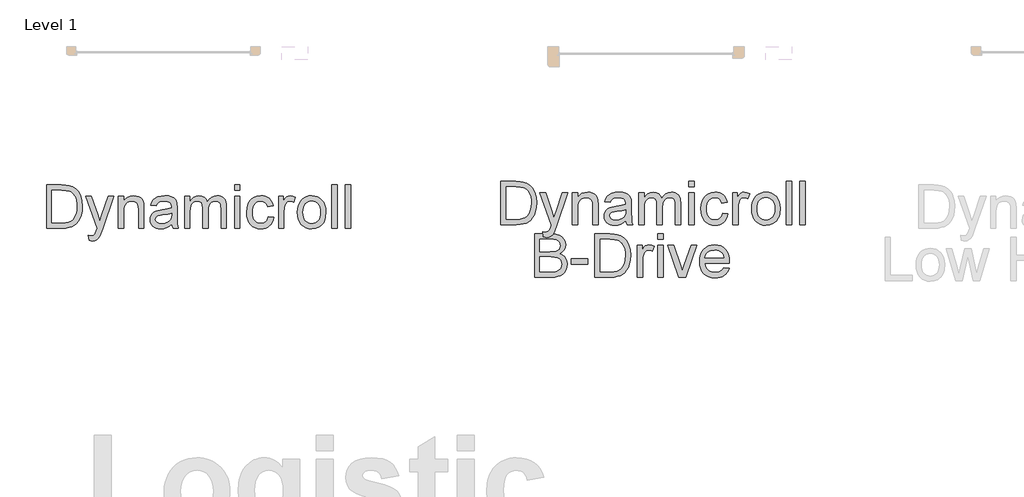
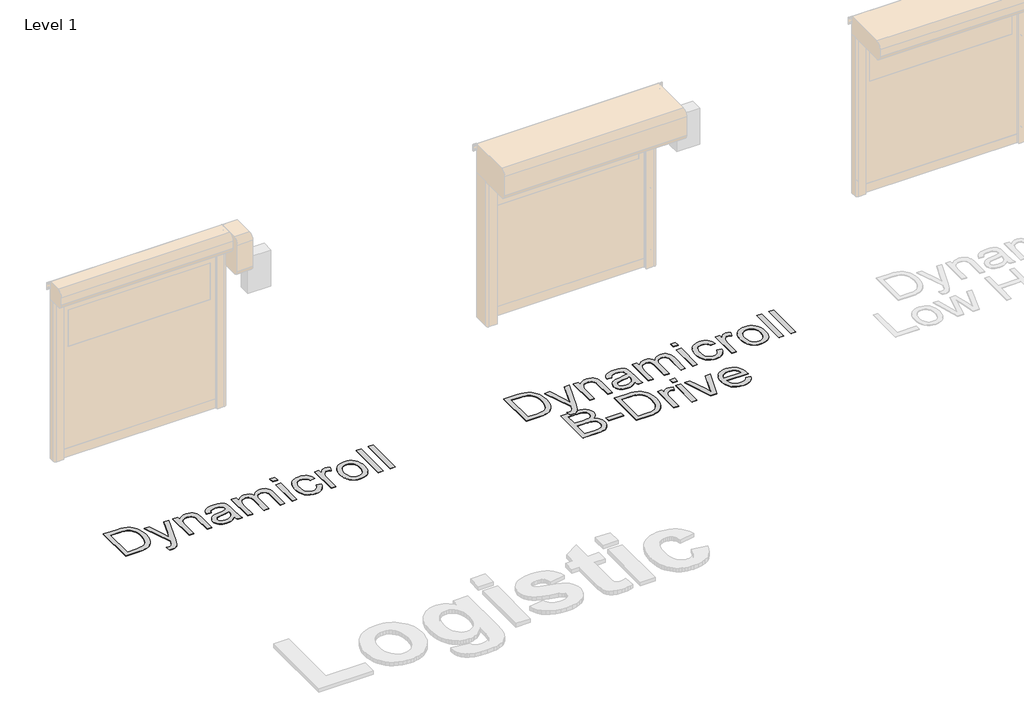
# One storey, part 8 of 18: 2 proxies.
"""IFC4 building model written with IfcOpenShell, lengths in millimetres."""

from ifc_helpers import new_model, si_unit, origin, origin_with_axes, place, context, project, spatial, polyline, outline, extrude, element, save

model = new_model("IFC4")

# Units and contexts
model_context = context("Model", 3, world=origin())
ifc_project = project(units=[si_unit("LENGTHUNIT", "METRE", prefix="MILLI")], contexts=[model_context])

# Site, building, storey
site = spatial("IfcSite", under=ifc_project)
building = spatial("IfcBuilding", under=site)
storey = spatial("IfcBuildingStorey", under=building, Name="Level 1", Elevation=0.0)

# Proxies
placement = place(None, origin())
element("IfcBuildingElementProxy", 1, Name="500mm", ObjectType="500mm", at=placement, inside=storey, context=model_context, shape_type="SweptSolid", body=[
    extrude(outline(polyline([(5402.5904997, 30395.6464997), (5402.5904997, 30897.9280504), (5575.8629195, 30897.9280504), (5627.6423103, 30896.1192973), (5665.5034989, 30890.6930378), (5705.5413228, 30876.7441789), (5739.3251526, 30854.7632296), (5757.9415144, 30836.7983256), (5774.0593444, 30816.5035022), (5787.6786424, 30793.8787594), (5798.7994085, 30768.9240974), (5813.6066588, 30712.9447205), (5818.5424089, 30649.4850763), (5815.2008142, 30595.5750356), (5805.1760298, 30548.1335867), (5789.908927, 30507.7432093), (5770.8403769, 30474.9863833), (5748.8900845, 30449.1273447), (5724.9777548, 30429.4303296), (5697.5245609, 30414.8223487), (5664.951676, 30404.2304129), (5627.1977862, 30397.792478), (5584.201578, 30395.6464997), (5402.5904997, 30395.6464997)]), holes=[polyline([(5465.3756936, 30458.4316935), (5576.4760561, 30458.4316935), (5622.4306487, 30460.7002991), (5657.2874677, 30467.5061161), (5683.5910304, 30478.4506054), (5703.8858538, 30493.1352284), (5725.6981904, 30520.3125108), (5742.0842676, 30555.4912266), (5752.3389782, 30598.8246599), (5755.7572151, 30650.466095), (5754.0825856, 30686.9170694), (5749.0586971, 30718.8921461), (5740.6855496, 30746.3913252), (5728.9631431, 30769.4146068), (5714.8418394, 30788.4831569), (5699.2720004, 30804.1181416), (5682.253626, 30816.3195612), (5663.7867163, 30825.0874154), (5627.6729671, 30832.6289963), (5574.7592735, 30835.1428566), (5465.3756936, 30835.1428566), (5465.3756936, 30458.4316935)])]), origin_with_axes(), (0.0, 0.0, 1.0), 5.0),
    extrude(outline(polyline([(5897.0239012, 30254.3798135), (5889.175752, 30314.8350881), (5921.0588583, 30309.3168581), (5937.8281459, 30311.0489692), (5950.8572999, 30316.2453024), (5961.0047116, 30324.5379757), (5969.1287723, 30335.5591071), (5986.2965987, 30381.7896112), (5991.201692, 30396.9954003), (5857.7831551, 30764.5095135), (5924.0019142, 30764.5095135), (5994.7578846, 30559.7218695), (6019.4059783, 30477.8068119), (6044.054072, 30550.1569376), (6116.7720797, 30764.5095135), (6182.5003295, 30764.5095135), (6054.1095132, 30386.8173318), (6020.754879, 30304.9022742), (6003.679023, 30278.7519957), (5984.3345614, 30260.6338074), (5961.8631029, 30250.0572001), (5935.4062561, 30246.5316643), (5917.2267541, 30248.4937016), (5897.0239012, 30254.3798135)])), origin_with_axes(), (0.0, 0.0, 1.0), 5.0),
    extrude(outline(polyline([(6234.4943182, 30395.6464997), (6234.4943182, 30764.5095135), (6297.279512, 30764.5095135), (6297.279512, 30713.0060342), (6319.0918486, 30738.9723717), (6345.2881124, 30757.5197556), (6375.8683032, 30768.6481859), (6410.8324212, 30772.3576627), (6441.780494, 30769.3686215), (6470.1227361, 30760.4014979), (6493.7591543, 30746.5752662), (6510.5897555, 30729.008901), (6522.0094258, 30707.7483873), (6529.413051, 30682.8397106), (6532.7239889, 30622.1391814), (6532.7239889, 30395.6464997), (6469.9387951, 30395.6464997), (6469.9387951, 30613.6778955), (6468.1300419, 30646.1434816), (6462.7037825, 30669.2280767), (6452.6943265, 30685.7674381), (6437.1359838, 30698.5973227), (6417.193714, 30706.8286823), (6394.0324767, 30709.5724689), (6374.9677588, 30708.031963), (6357.2596056, 30703.4104455), (6340.9080174, 30695.7079162), (6325.912994, 30684.9243752), (6313.3858456, 30669.8335492), (6304.4378825, 30649.2091648), (6299.0691046, 30623.0512221), (6297.279512, 30591.3597211), (6297.279512, 30395.6464997), (6234.4943182, 30395.6464997)])), origin_with_axes(), (0.0, 0.0, 1.0), 5.0),
    extrude(outline(polyline([(6854.4981074, 30442.7353951), (6824.5003963, 30417.0143122), (6793.6136372, 30400.1837109), (6761.1327227, 30390.8946906), (6726.3525457, 30387.7983504), (6698.3973462, 30389.660753), (6673.8833761, 30395.2479608), (6652.8106356, 30404.5599738), (6635.1791246, 30417.596792), (6621.2570903, 30433.530681), (6611.3127801, 30451.5339061), (6605.346194, 30471.6064675), (6603.357332, 30493.748365), (6606.3617016, 30519.7760162), (6615.3748105, 30543.4124344), (6629.2776842, 30563.6459441), (6646.9513484, 30579.4648699), (6667.7213527, 30591.4210348), (6690.9132468, 30600.0662617), (6745.2371548, 30609.5085662), (6809.432563, 30619.4413801), (6854.1302254, 30631.0909766), (6854.4981074, 30645.0704924), (6850.1754939, 30673.0908377), (6837.2076536, 30691.4236238), (6824.1325143, 30699.3637435), (6808.2062896, 30705.0352576), (6767.8005838, 30709.5724689), (6730.3992477, 30706.5527708), (6704.279626, 30697.4936767), (6686.4680061, 30680.7397175), (6673.9906751, 30654.6354243), (6611.2054812, 30662.4835735), (6622.1039853, 30696.8192264), (6638.3674352, 30723.7972394), (6661.5133441, 30744.4292879), (6693.0592251, 30759.7270476), (6731.6408494, 30769.2000089), (6775.8939877, 30772.3576627), (6818.3383729, 30769.5678909), (6851.9842471, 30761.1985755), (6877.3527763, 30748.6139456), (6894.9651268, 30733.1782302), (6906.6453802, 30714.0943517), (6914.2176179, 30690.5652325), (6917.2833012, 30635.6281879), (6917.2833012, 30557.5145775), (6920.4716118, 30448.437566), (6925.1927641, 30421.4748814), (6932.9795997, 30395.6464997), (6870.1944058, 30395.6464997), (6860.1389646, 30417.4741647), (6854.4981074, 30442.7353951)]), holes=[polyline([(6854.4981074, 30568.3057827), (6812.3143052, 30557.8518027), (6753.2079314, 30549.0532917), (6699.1905917, 30538.8752231), (6685.1344338, 30531.916122), (6674.7264391, 30522.3205333), (6668.2885041, 30510.824221), (6666.1425258, 30498.162949), (6670.8176929, 30479.4929377), (6684.8431939, 30464.1951781), (6707.9124607, 30453.9864527), (6739.7189249, 30450.5835443), (6773.4414411, 30454.3390063), (6803.2398827, 30465.6053924), (6827.397467, 30482.2060675), (6844.1974115, 30501.9643963), (6851.6470219, 30522.3205333), (6854.1302254, 30550.5248196), (6854.4981074, 30568.3057827)])]), origin_with_axes(), (0.0, 0.0, 1.0), 5.0),
    extrude(outline(polyline([(7003.6129427, 30395.6464997), (7003.6129427, 30764.5095135), (7066.3981366, 30764.5095135), (7066.3981366, 30703.8089843), (7085.2827457, 30731.6913738), (7109.5629574, 30753.5343673), (7138.4110371, 30767.6518389), (7170.9992505, 30772.3576627), (7205.9173833, 30767.5598684), (7233.9070717, 30753.1664853), (7254.8150318, 30730.1278754), (7268.4879793, 30699.3944004), (7291.373305, 30731.3158276), (7317.4775983, 30754.1168471), (7346.800859, 30767.7974588), (7379.3430871, 30772.3576627), (7404.477858, 30770.4607712), (7426.5392814, 30764.7700966), (7445.5273573, 30755.2856389), (7461.4420857, 30742.0073981), (7474.0228836, 30724.7820901), (7483.0091677, 30703.4564307), (7488.4009382, 30678.0304199), (7490.198195, 30648.5040577), (7490.198195, 30395.6464997), (7427.4130012, 30395.6464997), (7427.4130012, 30621.5260447), (7425.9568016, 30652.8419995), (7421.5882029, 30673.949229), (7413.4028285, 30688.4039257), (7400.4963019, 30699.7622823), (7383.8956268, 30707.1199223), (7364.6278073, 30709.5724689), (7346.8353479, 30708.0013062), (7330.6140512, 30703.2878181), (7315.9639172, 30695.4320047), (7302.8849458, 30684.4338659), (7292.1282296, 30669.9715049), (7284.4448608, 30651.7230251), (7279.8348396, 30629.6884265), (7278.2981658, 30603.8677089), (7278.2981658, 30395.6464997), (7215.512972, 30395.6464997), (7215.512972, 30628.5158026), (7211.8801373, 30664.0164152), (7200.9816332, 30689.3389592), (7192.5548362, 30698.1911197), (7181.8057842, 30704.5140915), (7153.3409148, 30709.5724689), (7129.1526736, 30706.2002173), (7106.8651561, 30696.0834624), (7088.4710563, 30679.4674589), (7075.9630685, 30656.5974616), (7068.7893696, 30624.8676395), (7066.3981366, 30581.6721619), (7066.3981366, 30395.6464997), (7003.6129427, 30395.6464997)])), origin_with_axes(), (0.0, 0.0, 1.0), 5.0),
    extrude(outline(polyline([(7584.3759858, 30835.1428566), (7584.3759858, 30897.9280504), (7647.1611796, 30897.9280504), (7647.1611796, 30835.1428566), (7584.3759858, 30835.1428566)])), origin_with_axes(), (0.0, 0.0, 1.0), 5.0),
    extrude(outline(polyline([(7584.3759858, 30395.6464997), (7584.3759858, 30764.5095135), (7647.1611796, 30764.5095135), (7647.1611796, 30395.6464997), (7584.3759858, 30395.6464997)])), origin_with_axes(), (0.0, 0.0, 1.0), 5.0),
    extrude(outline(polyline([(7976.7834473, 30529.0650366), (8039.5686412, 30521.2168874), (8032.7398316, 30491.5908904), (8022.0635896, 30465.3754662), (8007.539915, 30442.5706146), (7989.1688078, 30423.1763356), (7967.7243532, 30407.6984671), (7943.9806361, 30396.6428467), (7917.9376565, 30390.0094745), (7889.5954145, 30387.7983504), (7854.3822097, 30390.8831943), (7822.8095039, 30400.1377257), (7794.877297, 30415.5619448), (7770.585589, 30437.1558515), (7750.9230628, 30464.5132427), (7736.8784012, 30497.2279156), (7728.4516043, 30535.29987), (7725.6426719, 30578.7291059), (7730.4404663, 30634.601184), (7744.8338494, 30683.0236516), (7755.6863682, 30703.9737648), (7769.0527474, 30722.126442), (7784.9329868, 30737.4816832), (7803.3270866, 30750.0394884), (7844.3306006, 30766.7781191), (7888.7370231, 30772.3576627), (7916.592588, 30770.4416107), (7941.7886725, 30764.6934545), (7964.3252768, 30755.1131942), (7984.2024009, 30741.7008298), (8001.0828195, 30724.7629296), (8014.6293076, 30704.606062), (8024.841865, 30681.2302268), (8031.7204919, 30654.6354243), (7968.9352981, 30646.787275), (7957.5462846, 30674.1791553), (7939.8113068, 30693.8148568), (7916.7113832, 30705.6330659), (7889.2275325, 30709.5724689), (7867.8942088, 30707.6334242), (7848.6532141, 30701.8162902), (7831.5045482, 30692.1210667), (7816.4482111, 30678.547754), (7804.18931, 30660.7821193), (7795.4329521, 30638.5099302), (7790.1791374, 30611.7311866), (7788.4278658, 30580.4458886), (7790.1408163, 30548.6892418), (7795.2796679, 30521.6000978), (7803.8444206, 30499.1784566), (7815.8350744, 30481.4243182), (7830.5925074, 30467.9314796), (7847.4575976, 30458.2937378), (7866.4303451, 30452.5110927), (7887.5107498, 30450.5835443), (7920.0223211, 30455.3966671), (7946.6784374, 30469.8360354), (7957.4581463, 30480.7575321), (7966.0688842, 30494.2695312), (7976.7834473, 30529.0650366)])), origin_with_axes(), (0.0, 0.0, 1.0), 5.0),
    extrude(outline(polyline([(8094.5056858, 30395.6464997), (8094.5056858, 30764.5095135), (8149.4427304, 30764.5095135), (8149.4427304, 30709.9403509), (8169.7375538, 30741.5782025), (8188.4382219, 30760.2175569), (8207.2002036, 30769.3226363), (8227.678968, 30772.3576627), (8258.9489376, 30767.5138831), (8290.7094165, 30752.9825443), (8269.7401428, 30696.6965991), (8247.6672231, 30706.3535014), (8225.5943034, 30709.5724689), (8206.84765, 30706.4761288), (8190.0936909, 30697.1871084), (8176.5586991, 30682.4105149), (8167.4689481, 30662.8514555), (8159.8353967, 30627.7800386), (8157.2908796, 30589.5203111), (8157.2908796, 30395.6464997), (8094.5056858, 30395.6464997)])), origin_with_axes(), (0.0, 0.0, 1.0), 5.0),
    extrude(outline(polyline([(8314.2538642, 30580.0780066), (8317.6491085, 30627.8490165), (8327.8348412, 30669.0134789), (8344.8110624, 30703.5713938), (8368.5777722, 30731.5227613), (8392.5054303, 30749.3880307), (8418.9162919, 30762.1489374), (8447.8103569, 30769.8054814), (8479.1876254, 30772.3576627), (8513.8260145, 30769.2498263), (8545.1458014, 30759.926317), (8573.1469862, 30744.3871348), (8597.8295688, 30722.6322797), (8617.9749402, 30695.3975158), (8632.3644911, 30663.4186069), (8640.9982217, 30626.6955532), (8643.8761319, 30585.2283545), (8638.7870976, 30521.7993672), (8632.4258048, 30495.7640518), (8623.5199948, 30473.5148553), (8612.1807988, 30454.2968532), (8598.5193476, 30437.3551209), (8582.5356413, 30422.6896584), (8564.2296799, 30410.3004658), (8523.5020774, 30393.4238793), (8479.1876254, 30387.7983504), (8444.0433985, 30390.8946906), (8412.4323717, 30400.1837109), (8384.3545448, 30415.6654116), (8359.809918, 30437.3397925), (8339.8791444, 30464.8389716), (8325.6428777, 30497.795067), (8317.1011176, 30536.2080787), (8314.2538642, 30580.0780066)]), holes=[polyline([(8377.0390581, 30580.2006339), (8378.8554754, 30549.7469025), (8384.3047275, 30523.3781941), (8393.3868142, 30501.0945086), (8406.1017357, 30482.8958462), (8421.5681079, 30468.7592141), (8438.9045469, 30458.6616198), (8458.1110528, 30452.6030632), (8479.1876254, 30450.5835443), (8500.1568991, 30452.6145595), (8519.2867629, 30458.707605), (8536.5772166, 30468.8626809), (8552.0282604, 30483.0797872), (8564.7431819, 30501.4585585), (8573.8252687, 30524.0986297), (8579.2745207, 30551.0000005), (8581.0909381, 30582.1626712), (8579.2630244, 30611.6507124), (8573.7792834, 30637.3296421), (8564.6397151, 30659.1994603), (8551.8443194, 30677.260167), (8536.3357941, 30691.3967991), (8519.0568366, 30701.4943934), (8500.0074471, 30707.55295), (8479.1876254, 30709.5724689), (8458.1110528, 30707.5606142), (8438.9045469, 30701.5250502), (8421.5681079, 30691.4657769), (8406.1017357, 30677.3827943), (8393.3868142, 30659.2377813), (8384.3047275, 30636.9924169), (8378.8554754, 30610.6467011), (8377.0390581, 30580.2006339)])]), origin_with_axes(), (0.0, 0.0, 1.0), 5.0),
    extrude(outline(polyline([(8714.509475, 30395.6464997), (8714.509475, 30897.9280504), (8777.2946688, 30897.9280504), (8777.2946688, 30395.6464997), (8714.509475, 30395.6464997)])), origin_with_axes(), (0.0, 0.0, 1.0), 5.0),
    extrude(outline(polyline([(8871.4724596, 30395.6464997), (8871.4724596, 30897.9280504), (8934.2576534, 30897.9280504), (8934.2576534, 30395.6464997), (8871.4724596, 30395.6464997)])), origin_with_axes(), (0.0, 0.0, 1.0), 5.0),
    extrude(outline(polyline([(5794.9979613, 29785.7724104), (5794.9979613, 30288.0539612), (5986.6644807, 30288.0539612), (6039.378905, 30284.3598128), (6080.5357032, 30273.2773677), (6112.0815843, 30254.5307144), (6135.9632571, 30227.8439413), (6151.0004337, 30196.4513444), (6156.0128259, 30163.5872195), (6151.7975113, 30133.3442538), (6139.1515677, 30104.9100413), (6117.9830246, 30080.0320213), (6088.1999114, 30060.4576335), (6107.1496663, 30052.379558), (6123.777166, 30041.8795928), (6138.0824107, 30028.9577377), (6150.0654003, 30013.6139928), (6166.2981933, 29977.5309004), (6171.7091243, 29935.5003825), (6168.0149759, 29900.4749509), (6156.9325308, 29867.9940364), (6140.3931695, 29840.3722299), (6120.3282723, 29819.9241223), (6095.7568207, 29805.116872), (6065.697796, 29794.4176373), (6029.1701796, 29787.9337172), (5985.1929528, 29785.7724104), (5794.9979613, 29785.7724104)]), holes=[polyline([(5857.7831551, 30084.0020812), (5972.4397103, 30084.0020812), (6012.5388477, 30085.3509818), (6039.3942334, 30089.3976838), (6062.8313822, 30098.7020326), (6079.6773119, 30112.6355632), (6089.840052, 30130.9836777), (6093.227632, 30153.5317783), (6090.0699782, 30175.420757), (6080.5970168, 30194.4893071), (6065.2379435, 30209.3731995), (6044.421954, 30218.7082051), (6012.4775341, 30223.6286268), (5963.7331697, 30225.2687673), (5857.7831551, 30225.2687673), (5857.7831551, 30084.0020812)]), polyline([(5857.7831551, 29848.5576043), (5986.5418534, 29848.5576043), (6033.1402395, 29851.0101509), (6054.7686351, 29856.4517388), (6072.5649266, 29864.6830984), (6087.0349518, 29876.4706507), (6098.6845483, 29892.5808164), (6106.3640849, 29912.29316), (6108.9239305, 29934.8872458), (6105.9195608, 29961.1294948), (6096.906452, 29983.6929238), (6081.1641682, 30001.3359312), (6057.9722741, 30012.8169151), (6025.1234777, 30019.1168943), (5980.4104868, 30021.2168874), (5857.7831551, 30021.2168874), (5857.7831551, 29848.5576043)])]), origin_with_axes(), (0.0, 0.0, 1.0), 5.0),
    extrude(outline(polyline([(6218.7980197, 29934.8872458), (6218.7980197, 29997.6724397), (6415.0017505, 29997.6724397), (6415.0017505, 29934.8872458), (6218.7980197, 29934.8872458)])), origin_with_axes(), (0.0, 0.0, 1.0), 5.0),
    extrude(outline(polyline([(6493.4832428, 29785.7724104), (6493.4832428, 30288.0539612), (6666.7556625, 30288.0539612), (6718.5350533, 30286.245208), (6756.396242, 30280.8189486), (6796.4340658, 30266.8700896), (6830.2178957, 30244.8891404), (6848.8342575, 30226.9242363), (6864.9520874, 30206.6294129), (6878.5713854, 30184.0046702), (6889.6921516, 30159.0500082), (6904.4994019, 30103.0706313), (6909.435152, 30039.6109871), (6906.0935572, 29985.7009464), (6896.0687728, 29938.2594974), (6880.80167, 29897.8691201), (6861.7331199, 29865.1122941), (6839.7828276, 29839.2532555), (6815.8704979, 29819.5562403), (6788.417304, 29804.9482594), (6755.844419, 29794.3563237), (6718.0905292, 29787.9183887), (6675.094321, 29785.7724104), (6493.4832428, 29785.7724104)]), holes=[polyline([(6556.2684366, 29848.5576043), (6667.3687991, 29848.5576043), (6713.3233917, 29850.8262099), (6748.1802108, 29857.6320268), (6774.4837734, 29868.5765162), (6794.7785968, 29883.2611392), (6816.5909334, 29910.4384216), (6832.9770106, 29945.6171373), (6843.2317213, 29988.9505707), (6846.6499581, 30040.5920058), (6844.9753286, 30077.0429801), (6839.9514401, 30109.0180569), (6831.5782926, 30136.517236), (6819.8558861, 30159.5405175), (6805.7345825, 30178.6090676), (6790.1647435, 30194.2440524), (6773.1463691, 30206.4454719), (6754.6794593, 30215.2133261), (6718.5657101, 30222.754907), (6665.6520165, 30225.2687673), (6556.2684366, 30225.2687673), (6556.2684366, 29848.5576043)])]), origin_with_axes(), (0.0, 0.0, 1.0), 5.0),
    extrude(outline(polyline([(6987.9166443, 29785.7724104), (6987.9166443, 30154.6354243), (7042.8536889, 30154.6354243), (7042.8536889, 30100.0662617), (7063.1485123, 30131.7041132), (7081.8491804, 30150.3434677), (7100.6111621, 30159.448547), (7121.0899265, 30162.4835735), (7152.3598961, 30157.6397939), (7184.120375, 30143.1084551), (7163.1511013, 30086.8225098), (7141.0781816, 30096.4794122), (7119.0052619, 30099.6983797), (7100.2586086, 30096.6020395), (7083.5046494, 30087.3130192), (7069.9696576, 30072.5364257), (7060.8799067, 30052.9773663), (7053.2463553, 30017.9059494), (7050.7018381, 29979.6462219), (7050.7018381, 29785.7724104), (6987.9166443, 29785.7724104)])), origin_with_axes(), (0.0, 0.0, 1.0), 5.0),
    extrude(outline(polyline([(7223.3611212, 30225.2687673), (7223.3611212, 30288.0539612), (7286.146315, 30288.0539612), (7286.146315, 30225.2687673), (7223.3611212, 30225.2687673)])), origin_with_axes(), (0.0, 0.0, 1.0), 5.0),
    extrude(outline(polyline([(7223.3611212, 29785.7724104), (7223.3611212, 30154.6354243), (7286.146315, 30154.6354243), (7286.146315, 29785.7724104), (7223.3611212, 29785.7724104)])), origin_with_axes(), (0.0, 0.0, 1.0), 5.0),
    extrude(outline(polyline([(7470.8230766, 29785.7724104), (7341.0833596, 30154.6354243), (7407.5473734, 30154.6354243), (7486.1514931, 29933.6609725), (7509.8185681, 29859.3488095), (7532.9951338, 29929.4916432), (7612.0897628, 30154.6354243), (7678.5537766, 30154.6354243), (7550.4082149, 29785.7724104), (7470.8230766, 29785.7724104)])), origin_with_axes(), (0.0, 0.0, 1.0), 5.0),
    extrude(outline(polyline([(7991.7439818, 29895.6464997), (8053.3029023, 29887.7983504), (8043.8644299, 29863.1425926), (8031.1226837, 29841.4145622), (8015.0776637, 29822.6142594), (7995.7293701, 29806.7416842), (7973.277072, 29794.1340616), (7947.9200391, 29785.128617), (7919.6582712, 29779.7253501), (7888.4917685, 29777.9242612), (7849.534598, 29781.0320977), (7814.8233989, 29790.355607), (7784.3581712, 29805.8947892), (7758.1389148, 29827.6496442), (7737.054678, 29855.0146997), (7721.9945088, 29887.3844832), (7712.9584073, 29924.7589946), (7709.9463735, 29967.1382341), (7712.9890641, 30010.9545125), (7722.1171362, 30049.5744578), (7737.3305895, 30082.9980699), (7758.6294242, 30111.2253488), (7784.7797027, 30133.6508221), (7814.5474874, 30149.6690173), (7847.9327785, 30159.2799345), (7884.9355759, 30162.4835735), (7920.7465888, 30159.2875987), (7953.1317007, 30149.6996742), (7982.0909115, 30133.7198), (8007.6242212, 30111.3479762), (8028.4670355, 30083.1820109), (8043.35476, 30049.8197125), (8052.2873947, 30011.2610809), (8055.2649396, 29967.5061161), (8054.8970576, 29950.5835443), (7772.7315673, 29950.5835443), (7776.3682341, 29925.5292476), (7783.5994146, 29903.5866194), (7794.4251087, 29884.7556598), (7808.8453165, 29869.0363687), (7826.0629603, 29856.643344), (7845.2809625, 29847.7911835), (7866.4993229, 29842.4798872), (7889.7180418, 29840.7094551), (7923.1339897, 29843.9897362), (7951.2769623, 29853.8305796), (7974.1469597, 29870.8451218), (7991.7439818, 29895.6464997)]), holes=[polyline([(7772.7315673, 30013.3687381), (7992.4797458, 30013.3687381), (7983.9878031, 30046.5394314), (7967.3411428, 30070.26782), (7950.2193016, 30083.1436899), (7930.7368843, 30092.3407398), (7908.8938908, 30097.8589697), (7884.6903212, 30099.6983797), (7842.3685633, 30093.8275962), (7823.955303, 30086.4891168), (7807.3737885, 30076.2152456), (7793.4594185, 30063.4811637), (7783.0475916, 30048.7620517), (7776.1383079, 30032.0579099), (7772.7315673, 30013.3687381)])]), origin_with_axes(), (0.0, 0.0, 1.0), 5.0),
])
element("IfcBuildingElementProxy", 2, Name="500mm", ObjectType="500mm", at=placement, inside=storey, context=model_context, shape_type="SweptSolid", body=[
    extrude(outline(polyline([(132.2974666, 30354.3905971), (132.2974666, 30856.6721479), (305.5698863, 30856.6721479), (357.3492772, 30854.8633947), (395.2104658, 30849.4371353), (435.2482896, 30835.4882763), (469.0321195, 30813.5073271), (487.6484813, 30795.542423), (503.7663112, 30775.2475996), (517.3856093, 30752.6228569), (528.5063754, 30727.6681949), (543.3136257, 30671.688818), (548.2493758, 30608.2291738), (544.907781, 30554.3191331), (534.8829967, 30506.8776841), (519.6158939, 30466.4873067), (500.5473438, 30433.7304807), (478.5970514, 30407.8714422), (454.6847217, 30388.174427), (427.2315278, 30373.5664461), (394.6586428, 30362.9745103), (356.9047531, 30356.5365754), (313.9085449, 30354.3905971), (132.2974666, 30354.3905971)]), holes=[polyline([(195.0826604, 30417.175791), (306.183023, 30417.175791), (352.1376156, 30419.4443966), (386.9944346, 30426.2502135), (413.2979973, 30437.1947029), (433.5928207, 30451.8793258), (455.4051573, 30479.0566082), (471.7912345, 30514.235324), (482.0459451, 30557.5687574), (485.464182, 30609.2101924), (483.7895525, 30645.6611668), (478.765664, 30677.6362436), (470.3925165, 30705.1354227), (458.67011, 30728.1587042), (444.5488063, 30747.2272543), (428.9789673, 30762.8622391), (411.9605929, 30775.0636586), (393.4936832, 30783.8315128), (357.379934, 30791.3730937), (304.4662403, 30793.886954), (195.0826604, 30793.886954), (195.0826604, 30417.175791)])]), origin_with_axes(), (0.0, 0.0, 1.0), 5.0),
    extrude(outline(polyline([(626.7308681, 30213.123911), (618.8827189, 30273.5791855), (650.7658251, 30268.0609556), (667.5351128, 30269.7930666), (680.5642668, 30274.9893998), (690.7116785, 30283.2820731), (698.8357392, 30294.3032046), (716.0035656, 30340.5337086), (720.9086589, 30355.7394978), (587.490122, 30723.253611), (653.7088811, 30723.253611), (724.4648515, 30518.465967), (749.1129452, 30436.5509094), (773.7610389, 30508.9010351), (846.4790466, 30723.253611), (912.2072964, 30723.253611), (783.8164801, 30345.5614292), (750.4618458, 30263.6463716), (733.3859899, 30237.4960932), (714.0415283, 30219.3779049), (691.5700698, 30208.8012975), (665.113223, 30205.2757617), (646.933721, 30207.2377991), (626.7308681, 30213.123911)])), origin_with_axes(), (0.0, 0.0, 1.0), 5.0),
    extrude(outline(polyline([(964.201285, 30354.3905971), (964.201285, 30723.253611), (1026.9864789, 30723.253611), (1026.9864789, 30671.7501316), (1048.7988155, 30697.7164691), (1074.9950792, 30716.263853), (1105.5752701, 30727.3922834), (1140.5393881, 30731.1017602), (1171.4874609, 30728.112719), (1199.8297029, 30719.1455953), (1223.4661211, 30705.3193637), (1240.2967224, 30687.7529984), (1251.7163927, 30666.4924848), (1259.1200178, 30641.583808), (1262.4309558, 30580.8832788), (1262.4309558, 30354.3905971), (1199.6457619, 30354.3905971), (1199.6457619, 30572.4219929), (1197.8370088, 30604.887579), (1192.4107494, 30627.9721742), (1182.4012934, 30644.5115356), (1166.8429507, 30657.3414202), (1146.9006809, 30665.5727798), (1123.7394436, 30668.3165663), (1104.6747256, 30666.7760605), (1086.9665725, 30662.1545429), (1070.6149842, 30654.4520136), (1055.6199608, 30643.6684727), (1043.0928125, 30628.5776467), (1034.1448494, 30607.9532623), (1028.7760715, 30581.7953196), (1026.9864789, 30550.1038186), (1026.9864789, 30354.3905971), (964.201285, 30354.3905971)])), origin_with_axes(), (0.0, 0.0, 1.0), 5.0),
    extrude(outline(polyline([(1584.2050742, 30401.4794925), (1554.2073632, 30375.7584097), (1523.320604, 30358.9278084), (1490.8396895, 30349.638788), (1456.0595126, 30346.5424479), (1428.1043131, 30348.4048505), (1403.590343, 30353.9920583), (1382.5176025, 30363.3040713), (1364.8860914, 30376.3408895), (1350.9640572, 30392.2747784), (1341.019747, 30410.2780036), (1335.0531609, 30430.3505649), (1333.0642989, 30452.4924625), (1336.0686685, 30478.5201137), (1345.0817774, 30502.1565319), (1358.9846511, 30522.3900416), (1376.6583153, 30538.2089674), (1397.4283196, 30550.1651322), (1420.6202137, 30558.8103591), (1474.9441217, 30568.2526637), (1539.1395298, 30578.1854775), (1583.8371922, 30589.835074), (1584.2050742, 30603.8145899), (1579.8824608, 30631.8349352), (1566.9146205, 30650.1677212), (1553.8394812, 30658.107841), (1537.9132565, 30663.7793551), (1497.5075507, 30668.3165663), (1460.1062145, 30665.2968683), (1433.9865929, 30656.2377742), (1416.1749729, 30639.483815), (1403.6976419, 30613.3795217), (1340.9124481, 30621.227671), (1351.8109522, 30655.5633238), (1368.0744021, 30682.5413368), (1391.2203109, 30703.1733854), (1422.766192, 30718.471145), (1461.3478163, 30727.9441064), (1505.6009546, 30731.1017602), (1548.0453398, 30728.3119884), (1581.6912139, 30719.942673), (1607.0597432, 30707.3580431), (1624.6720937, 30691.9223277), (1636.3523471, 30672.8384492), (1643.9245848, 30649.3093299), (1646.9902681, 30594.3722853), (1646.9902681, 30516.258675), (1650.1785787, 30407.1816634), (1654.899731, 30380.2189789), (1662.6865665, 30354.3905971), (1599.9013727, 30354.3905971), (1589.8459315, 30376.2182622), (1584.2050742, 30401.4794925)]), holes=[polyline([(1584.2050742, 30527.0498802), (1542.0212721, 30516.5959002), (1482.9148982, 30507.7973891), (1428.8975586, 30497.6193206), (1414.8414007, 30490.6602195), (1404.4334059, 30481.0646308), (1397.995471, 30469.5683184), (1395.8494927, 30456.9070464), (1400.5246597, 30438.2370352), (1414.5501608, 30422.9392756), (1437.6194276, 30412.7305502), (1469.4258917, 30409.3276417), (1503.148408, 30413.0831038), (1532.9468496, 30424.3494899), (1557.1044339, 30440.9501649), (1573.9043784, 30460.7084937), (1581.3539888, 30481.0646308), (1583.8371922, 30509.2689171), (1584.2050742, 30527.0498802)])]), origin_with_axes(), (0.0, 0.0, 1.0), 5.0),
    extrude(outline(polyline([(1733.3199096, 30354.3905971), (1733.3199096, 30723.253611), (1796.1051035, 30723.253611), (1796.1051035, 30662.5530817), (1814.9897125, 30690.4354713), (1839.2699242, 30712.2784648), (1868.118004, 30726.3959363), (1900.7062174, 30731.1017602), (1935.6243501, 30726.3039658), (1963.6140386, 30711.9105828), (1984.5219987, 30688.8719728), (1998.1949461, 30658.1384978), (2021.0802719, 30690.0599251), (2047.1845652, 30712.8609446), (2076.5078259, 30726.5415563), (2109.050054, 30731.1017602), (2134.1848249, 30729.2048686), (2156.2462483, 30723.514194), (2175.2343242, 30714.0297363), (2191.1490526, 30700.7514956), (2203.7298504, 30683.5261876), (2212.7161346, 30662.2005282), (2218.1079051, 30636.7745174), (2219.9051619, 30607.2481551), (2219.9051619, 30354.3905971), (2157.1199681, 30354.3905971), (2157.1199681, 30580.2701422), (2155.6637685, 30611.586097), (2151.2951698, 30632.6933265), (2143.1097954, 30647.1480232), (2130.2032687, 30658.5063798), (2113.6025937, 30665.8640197), (2094.3347742, 30668.3165663), (2076.5423148, 30666.7454037), (2060.3210181, 30662.0319156), (2045.670884, 30654.1761022), (2032.5919127, 30643.1779633), (2021.8351964, 30628.7156024), (2014.1518277, 30610.4671226), (2009.5418064, 30588.4325239), (2008.0051327, 30562.6118064), (2008.0051327, 30354.3905971), (1945.2199388, 30354.3905971), (1945.2199388, 30587.2599001), (1941.5871041, 30622.7605126), (1930.6886, 30648.0830566), (1922.2618031, 30656.9352171), (1911.512751, 30663.2581889), (1883.0478817, 30668.3165663), (1858.8596405, 30664.9443147), (1836.5721229, 30654.8275599), (1818.1780232, 30638.2115564), (1805.6700353, 30615.341559), (1798.4963364, 30583.611737), (1796.1051035, 30540.4162594), (1796.1051035, 30354.3905971), (1733.3199096, 30354.3905971)])), origin_with_axes(), (0.0, 0.0, 1.0), 5.0),
    extrude(outline(polyline([(2314.0829527, 30793.886954), (2314.0829527, 30856.6721479), (2376.8681465, 30856.6721479), (2376.8681465, 30793.886954), (2314.0829527, 30793.886954)])), origin_with_axes(), (0.0, 0.0, 1.0), 5.0),
    extrude(outline(polyline([(2314.0829527, 30354.3905971), (2314.0829527, 30723.253611), (2376.8681465, 30723.253611), (2376.8681465, 30354.3905971), (2314.0829527, 30354.3905971)])), origin_with_axes(), (0.0, 0.0, 1.0), 5.0),
    extrude(outline(polyline([(2706.4904142, 30487.809134), (2769.275608, 30479.9609848), (2762.4467985, 30450.3349879), (2751.7705564, 30424.1195636), (2737.2468818, 30401.314712), (2718.8757747, 30381.9204331), (2697.4313201, 30366.4425646), (2673.687603, 30355.3869442), (2647.6446234, 30348.753572), (2619.3023813, 30346.5424479), (2584.0891766, 30349.6272917), (2552.5164708, 30358.8818231), (2524.5842639, 30374.3060422), (2500.2925559, 30395.8999489), (2480.6300297, 30423.2573402), (2466.5853681, 30455.972013), (2458.1585711, 30494.0439674), (2455.3496388, 30537.4732034), (2460.1474332, 30593.3452814), (2474.5408162, 30641.767749), (2485.3933351, 30662.7178622), (2498.7597142, 30680.8705394), (2514.6399537, 30696.2257806), (2533.0340535, 30708.7835858), (2574.0375675, 30725.5222166), (2618.44399, 30731.1017602), (2646.2995548, 30729.1857081), (2671.4956394, 30723.437552), (2694.0322437, 30713.8572917), (2713.9093678, 30700.4449273), (2730.7897864, 30683.5070271), (2744.3362744, 30663.3501594), (2754.5488319, 30639.9743243), (2761.4274588, 30613.3795217), (2698.642265, 30605.5313725), (2687.2532515, 30632.9232527), (2669.5182737, 30652.5589542), (2646.4183501, 30664.3771633), (2618.9344993, 30668.3165663), (2597.6011757, 30666.3775217), (2578.360181, 30660.5603876), (2561.211515, 30650.8651642), (2546.155178, 30637.2918514), (2533.8962769, 30619.5262167), (2525.139919, 30597.2540276), (2519.8861042, 30570.475284), (2518.1348327, 30539.189986), (2519.8477832, 30507.4333392), (2524.9866348, 30480.3441952), (2533.5513875, 30457.922554), (2545.5420413, 30440.1684157), (2560.2994743, 30426.6755771), (2577.1645645, 30417.0378352), (2596.1373119, 30411.2551901), (2617.2177167, 30409.3276417), (2649.729288, 30414.1407645), (2676.3854043, 30428.5801328), (2687.1651131, 30439.5016295), (2695.7758511, 30453.0136287), (2706.4904142, 30487.809134)])), origin_with_axes(), (0.0, 0.0, 1.0), 5.0),
    extrude(outline(polyline([(2824.2126526, 30354.3905971), (2824.2126526, 30723.253611), (2879.1496973, 30723.253611), (2879.1496973, 30668.6844483), (2899.4445207, 30700.3222999), (2918.1451887, 30718.9616543), (2936.9071705, 30728.0667337), (2957.3859349, 30731.1017602), (2988.6559045, 30726.2579806), (3020.4163834, 30711.7266418), (2999.4471097, 30655.4406965), (2977.37419, 30665.0975989), (2955.3012703, 30668.3165663), (2936.5546169, 30665.2202262), (2919.8006577, 30655.9312058), (2906.265666, 30641.1546124), (2897.175915, 30621.595553), (2889.5423636, 30586.5241361), (2886.9978465, 30548.2644086), (2886.9978465, 30354.3905971), (2824.2126526, 30354.3905971)])), origin_with_axes(), (0.0, 0.0, 1.0), 5.0),
    extrude(outline(polyline([(3043.9608311, 30538.822104), (3047.3560753, 30586.593114), (3057.5418081, 30627.7575764), (3074.5180293, 30662.3154913), (3098.2847391, 30690.2668587), (3122.2123972, 30708.1321281), (3148.6232587, 30720.8930348), (3177.5173238, 30728.5495788), (3208.8945923, 30731.1017602), (3243.5329814, 30727.9939237), (3274.8527683, 30718.6704144), (3302.8539531, 30703.1312322), (3327.5365357, 30681.3763772), (3347.6819071, 30654.1416132), (3362.071458, 30622.1627044), (3370.7051886, 30585.4396506), (3373.5830988, 30543.972452), (3368.4940645, 30480.5434646), (3362.1327717, 30454.5081493), (3353.2269617, 30432.2589528), (3341.8877656, 30413.0409506), (3328.2263145, 30396.0992183), (3312.2426082, 30381.4337559), (3293.9366468, 30369.0445633), (3253.2090443, 30352.1679767), (3208.8945923, 30346.5424479), (3173.7503654, 30349.638788), (3142.1393386, 30358.9278084), (3114.0615117, 30374.409509), (3089.5168848, 30396.0838899), (3069.5861113, 30423.583069), (3055.3498445, 30456.5391644), (3046.8080845, 30494.9521761), (3043.9608311, 30538.822104)]), holes=[polyline([(3106.7460249, 30538.9447314), (3108.5624423, 30508.491), (3114.0116943, 30482.1222915), (3123.0937811, 30459.8386061), (3135.8087026, 30441.6399436), (3151.2750748, 30427.5033116), (3168.6115138, 30417.4057172), (3187.8180196, 30411.3471606), (3208.8945923, 30409.3276417), (3229.863866, 30411.3586569), (3248.9937297, 30417.4517025), (3266.2841835, 30427.6067784), (3281.7352273, 30441.8238846), (3294.4501488, 30460.202656), (3303.5322355, 30482.8427271), (3308.9814876, 30509.744098), (3310.7979049, 30540.9067687), (3308.9699913, 30570.3948099), (3303.4862503, 30596.0737395), (3294.346682, 30617.9435577), (3281.5512863, 30636.0042644), (3266.042761, 30650.1408965), (3248.7638035, 30660.2384909), (3229.7144139, 30666.2970475), (3208.8945923, 30668.3165663), (3187.8180196, 30666.3047117), (3168.6115138, 30660.2691477), (3151.2750748, 30650.2098744), (3135.8087026, 30636.1268918), (3123.0937811, 30617.9818788), (3114.0116943, 30595.7365144), (3108.5624423, 30569.3907986), (3106.7460249, 30538.9447314)])]), origin_with_axes(), (0.0, 0.0, 1.0), 5.0),
    extrude(outline(polyline([(3444.2164419, 30354.3905971), (3444.2164419, 30856.6721479), (3507.0016357, 30856.6721479), (3507.0016357, 30354.3905971), (3444.2164419, 30354.3905971)])), origin_with_axes(), (0.0, 0.0, 1.0), 5.0),
    extrude(outline(polyline([(3601.1794265, 30354.3905971), (3601.1794265, 30856.6721479), (3663.9646203, 30856.6721479), (3663.9646203, 30354.3905971), (3601.1794265, 30354.3905971)])), origin_with_axes(), (0.0, 0.0, 1.0), 5.0),
])

save(model, "model.ifc")
